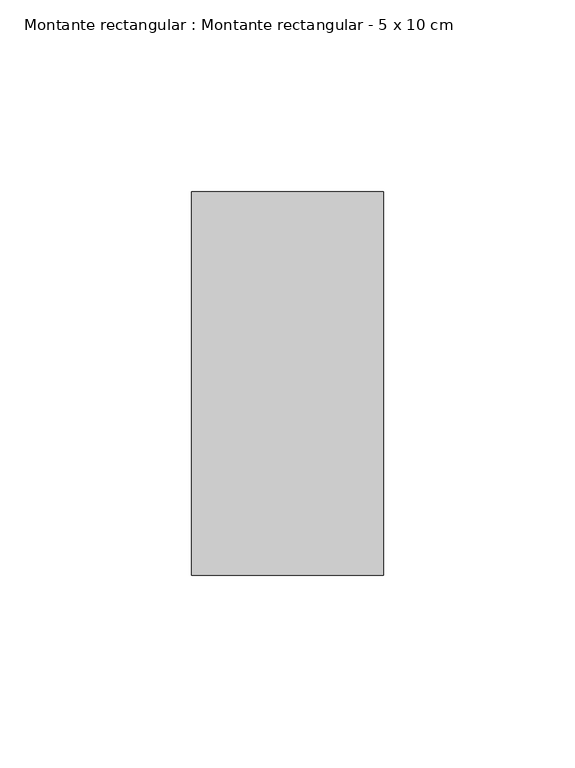
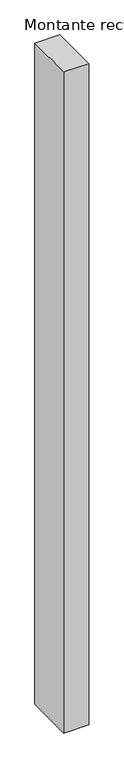
"""IFC4 building model written with IfcOpenShell, lengths in millimetres: member geometry, Montante rectangular : Montante rectangular - 5 x 10 cm."""

from ifc_helpers import new_model, si_unit, frame, origin, place, context, project, spatial, polyline, outline, extrude, source, transform, mapped, element, save


def montante_rectangular_montante_rectangular_5_x_10_cm_d378b2fa(model_context):
    return source(origin(), model_context, "Body", "SweptSolid", [
        extrude(outline(polyline([(0.0, 50.0), (0.0, -50.0), (-50.0, -50.0), (-50.0, 50.0), (0.0, 50.0)])), frame((0.0, 0.0, -1400.0), z_axis=(0.0, 0.0, 1.0), x_axis=(1.0, 0.0, 0.0)), (0.0, 0.0, 1.0), 1400.0),
    ])


if __name__ == "__main__":
    model = new_model("IFC4")
    model_context = context("Model", 3, world=origin())
    ifc_project = project(units=[si_unit("LENGTHUNIT", "METRE", prefix="MILLI")], contexts=[model_context])
    site = spatial("IfcSite", under=ifc_project)
    building = spatial("IfcBuilding", under=site)
    placement = place(None, origin())
    montante_rectangular_montante_rectangular_5_x_10_cm_shape = montante_rectangular_montante_rectangular_5_x_10_cm_d378b2fa(model_context)
    element("IfcMember", 1, ObjectType="Montante rectangular : Montante rectangular - 5 x 10 cm", at=placement, inside=building, context=model_context, shape_type="MappedRepresentation", body=[
        mapped(montante_rectangular_montante_rectangular_5_x_10_cm_shape, transform((0.0, 0.0, 0.0), x_axis=(1.0, 0.0, 0.0), y_axis=(0.0, 1.0, 0.0), z_axis=(0.0, 0.0, 1.0))),
    ])
    save(model, "model.ifc")
